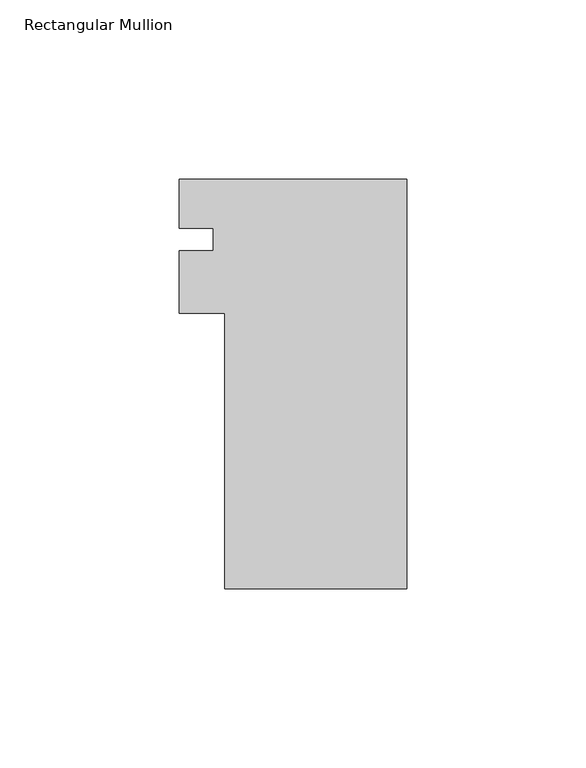
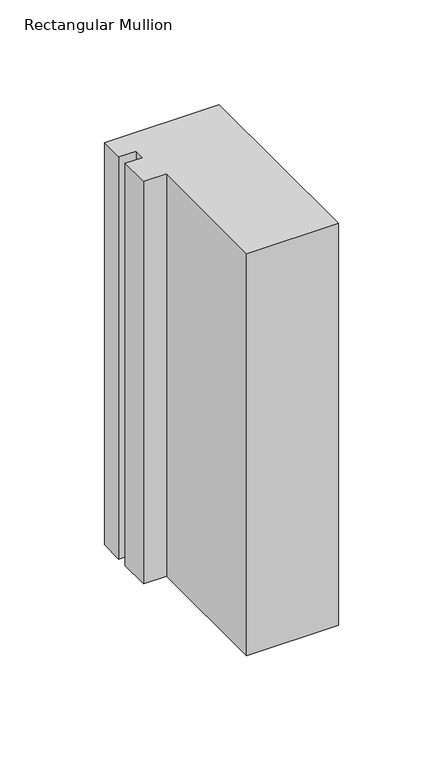
"""IFC4 building model written with IfcOpenShell, lengths in millimetres: member geometry, Rectangular Mullion."""

from ifc_helpers import new_model, si_unit, frame, origin, place, context, project, spatial, polyline, outline, extrude, source, transform, mapped, element, save


def rectangular_mullion_e0409503(model_context):
    return source(origin(), model_context, "Body", "SweptSolid", [
        extrude(outline(polyline([(-50.8, -39.773225), (-50.8, 37.061775), (-63.4999959, 37.061775), (-63.4999959, 54.5598739), (-53.9749959, 54.5598739), (-53.9749959, 60.874275), (-63.4999959, 60.874275), (-63.4999959, 74.526775), (0.0, 74.526775), (0.0, -39.773225), (-50.8, -39.773225)])), frame((0.0, 0.0, -234.9500041), z_axis=(0.0, 0.0, 1.0), x_axis=(1.0, 0.0, 0.0)), (0.0, 0.0, 1.0), 234.9500041),
    ])


if __name__ == "__main__":
    model = new_model("IFC4")
    model_context = context("Model", 3, world=origin())
    ifc_project = project(units=[si_unit("LENGTHUNIT", "METRE", prefix="MILLI")], contexts=[model_context])
    site = spatial("IfcSite", under=ifc_project)
    building = spatial("IfcBuilding", under=site)
    placement = place(None, origin())
    rectangular_mullion_shape = rectangular_mullion_e0409503(model_context)
    element("IfcMember", 1, ObjectType="Rectangular Mullion", at=placement, inside=building, context=model_context, shape_type="MappedRepresentation", body=[
        mapped(rectangular_mullion_shape, transform((0.0, 0.0, 0.0), x_axis=(1.0, 0.0, 0.0), y_axis=(0.0, 1.0, 0.0), z_axis=(0.0, 0.0, 1.0))),
    ])
    save(model, "model.ifc")
